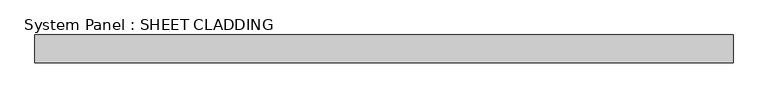
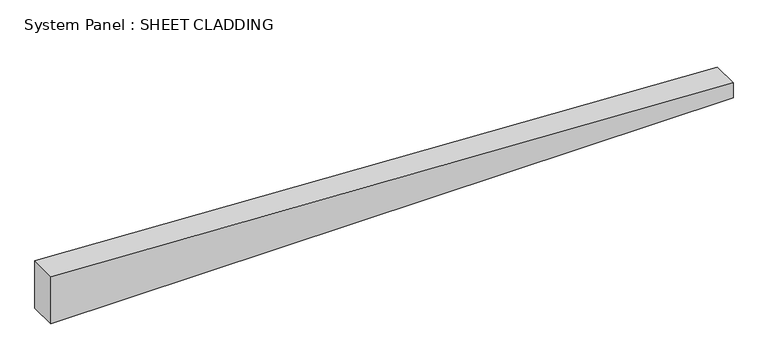
"""IFC4 building model written with IfcOpenShell, lengths in millimetres: plate geometry, System Panel : SHEET CLADDING."""

from ifc_helpers import new_model, si_unit, frame, origin, place, context, project, spatial, polyline, outline, extrude, source, transform, mapped, element, save


def system_panel_sheet_cladding_808296a8(model_context):
    return source(origin(), model_context, "Body", "SweptSolid", [
        extrude(outline(polyline([(0.0, -750.0), (0.0, 750.0), (35.1, 750.0), (110.1, -750.0), (0.0, -750.0)])), frame((0.0, -49.5, 0.0), z_axis=(0.0, 1.0, 0.0), x_axis=(0.0, 0.0, 1.0)), (0.0, 0.0, 1.0), 60.0),
    ])


if __name__ == "__main__":
    model = new_model("IFC4")
    model_context = context("Model", 3, world=origin())
    ifc_project = project(units=[si_unit("LENGTHUNIT", "METRE", prefix="MILLI")], contexts=[model_context])
    site = spatial("IfcSite", under=ifc_project)
    building = spatial("IfcBuilding", under=site)
    placement = place(None, origin())
    system_panel_sheet_cladding_shape = system_panel_sheet_cladding_808296a8(model_context)
    element("IfcPlate", 1, ObjectType="System Panel : SHEET CLADDING", at=placement, inside=building, context=model_context, shape_type="MappedRepresentation", body=[
        mapped(system_panel_sheet_cladding_shape, transform((0.0, 0.0, 0.0), x_axis=(1.0, 0.0, 0.0), y_axis=(0.0, 1.0, 0.0), z_axis=(0.0, 0.0, 1.0))),
    ])
    save(model, "model.ifc")
